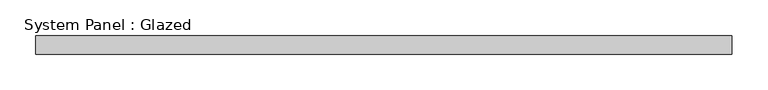
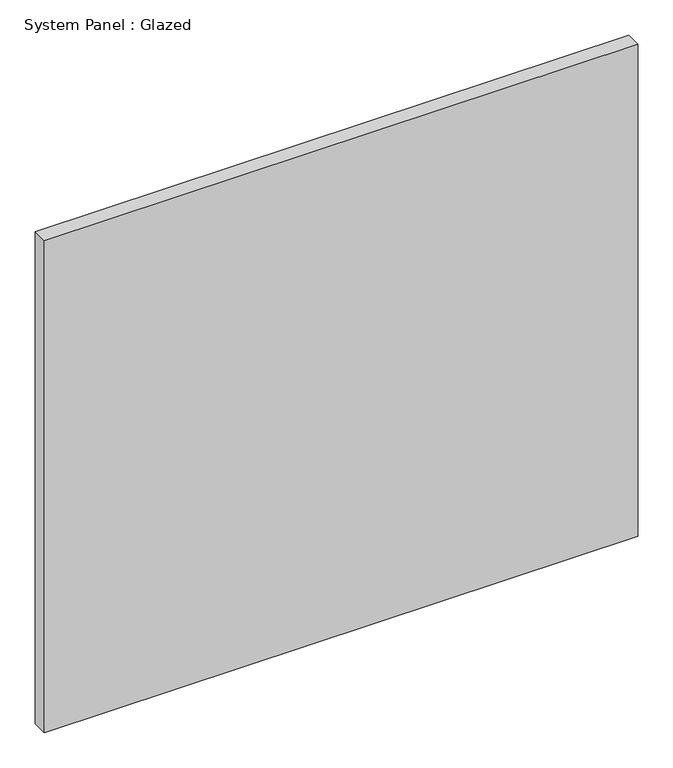
"""IFC4 building model written with IfcOpenShell, lengths in millimetres: plate geometry, System Panel : Glazed."""

import ifcopenshell
import ifcopenshell.guid

model = None  # the IFC model being written
_history = None  # IfcOwnerHistory: only IFC2X3 demands one
_inside = {}  # id of a spatial element -> (the spatial element, [elements in it])
_under = {}  # id of a project, library or spatial element -> (it, [spatial elements below it])
_declared = {}  # id of a project -> (the project, [libraries it declares])
_typed = {}  # id of a type object -> (the type object, [elements of that type])
_made_of = {}  # id of a material, layer set ... -> (it, [elements and type objects made of it])


def new_model(schema):
    """Start an empty IFC model of exactly this schema.

    Asked for "IFC4X3", IfcOpenShell would pick the latest addendum, in which some entities
    have other attributes; the version numbers below select the first issue.
    IFC2X3 requires an IfcOwnerHistory on every rooted entity: one is made here for all.
    """
    global model, _history
    if schema == "IFC4X3":
        model = ifcopenshell.file(schema_version=(4, 3, 0, 0))
    else:
        model = ifcopenshell.file(schema=schema)
    _inside.clear()
    _under.clear()
    _declared.clear()
    _typed.clear()
    _made_of.clear()
    _history = None
    if model.schema == "IFC2X3":
        org = make("IfcOrganization", Name="unknown")
        user = make(
            "IfcPersonAndOrganization",
            ThePerson=make("IfcPerson", FamilyName="unknown"),
            TheOrganization=org,
        )
        app = make(
            "IfcApplication",
            ApplicationDeveloper=org,
            Version="unknown",
            ApplicationFullName="unknown",
            ApplicationIdentifier="unknown",
        )
        _history = make(
            "IfcOwnerHistory",
            OwningUser=user,
            OwningApplication=app,
            ChangeAction="ADDED",
            CreationDate=0,
        )
    return model


def make(cls, **values):
    """One entity of the class cls with the attributes given. An attribute that is None is left unset."""
    return model.create_entity(
        cls, **{name: value for name, value in values.items() if value is not None}
    )


def rooted(cls, **values):
    """An entity with a GlobalId (a new one), such as an element, a storey or a relation."""
    return make(cls, GlobalId=ifcopenshell.guid.new(), OwnerHistory=_history, **values)


def si_unit(unit_type, name, prefix=None):
    """IfcSIUnit, for example si_unit("LENGTHUNIT", "METRE", prefix="MILLI")."""
    return make("IfcSIUnit", UnitType=unit_type, Prefix=prefix, Name=name)


def assignment(units):
    """IfcUnitAssignment: the units of a project."""
    return None if units is None else make("IfcUnitAssignment", Units=units)


def point(xyz):
    """IfcCartesianPoint."""
    return None if xyz is None else make("IfcCartesianPoint", Coordinates=xyz)


def direction(xyz):
    """IfcDirection."""
    return None if xyz is None else make("IfcDirection", DirectionRatios=xyz)


def frame(location, z_axis=None, x_axis=None):
    """IfcAxis2Placement3D, a coordinate frame: its origin and axes. An axis left out is left unset."""
    return make(
        "IfcAxis2Placement3D",
        Location=point(location),
        Axis=direction(z_axis),
        RefDirection=direction(x_axis),
    )


def origin():
    """The frame at (0, 0, 0) with its axes left unset."""
    return frame((0.0, 0.0, 0.0))


def origin_with_axes():
    """The frame at (0, 0, 0) with the z axis (0, 0, 1) and the x axis (1, 0, 0) written out."""
    return frame((0.0, 0.0, 0.0), z_axis=(0.0, 0.0, 1.0), x_axis=(1.0, 0.0, 0.0))


def place(relative_to, where):
    """IfcLocalPlacement: puts the frame where relative to a parent placement (None: the world)."""
    return make(
        "IfcLocalPlacement", PlacementRelTo=relative_to, RelativePlacement=where
    )


def context(
    kind, dimensions, precision=None, world=None, true_north=None, identifier=None
):
    """IfcGeometricRepresentationContext, for example the 3D "Model" context."""
    return make(
        "IfcGeometricRepresentationContext",
        ContextIdentifier=identifier,
        ContextType=kind,
        CoordinateSpaceDimension=dimensions,
        Precision=precision,
        WorldCoordinateSystem=world,
        TrueNorth=true_north,
    )


def project(units=None, contexts=None):
    """IfcProject with its units and contexts."""
    return rooted(
        "IfcProject",
        Name="project",
        RepresentationContexts=contexts,
        UnitsInContext=assignment(units),
    )


def spatial(cls, under=None, at=None, **own):
    """A site, building, storey or space (cls), placed at a placement, below another one or the project."""
    s = rooted(cls, ObjectPlacement=at, **own)
    if under is not None:
        _under.setdefault(under.id(), (under, []))[1].append(s)
    return s


def polyline(points):
    """IfcPolyline through the points."""
    return make("IfcPolyline", Points=[point(p) for p in points])


def outline(outer, holes=None, kind="AREA"):
    """IfcArbitraryClosedProfileDef: a profile drawn as a closed curve; with holes, ...WithVoids."""
    if holes is None:
        return make("IfcArbitraryClosedProfileDef", ProfileType=kind, OuterCurve=outer)
    return make(
        "IfcArbitraryProfileDefWithVoids",
        ProfileType=kind,
        OuterCurve=outer,
        InnerCurves=holes,
    )


def extrude(swept, where, along, depth):
    """IfcExtrudedAreaSolid: the profile swept, set in the frame where, extruded along a direction by depth."""
    return make(
        "IfcExtrudedAreaSolid",
        SweptArea=swept,
        Position=where,
        ExtrudedDirection=direction(along),
        Depth=depth,
    )


def shape(context_of_items, identifier, shape_type, items):
    """IfcShapeRepresentation: the items that make up one representation, for example the "Body"."""
    return make(
        "IfcShapeRepresentation",
        ContextOfItems=context_of_items,
        RepresentationIdentifier=identifier,
        RepresentationType=shape_type,
        Items=items,
    )


def source(mapping_origin, context_of_items, identifier, shape_type, items):
    """IfcRepresentationMap: a shape defined once, which mapped items show again and again."""
    return make(
        "IfcRepresentationMap",
        MappingOrigin=mapping_origin,
        MappedRepresentation=shape(context_of_items, identifier, shape_type, items),
    )


def transform(
    local_origin,
    x_axis=None,
    y_axis=None,
    z_axis=None,
    scale=None,
    scale2=None,
    scale3=None,
    uniform=True,
):
    """IfcCartesianTransformationOperator3D, or its non-uniform kind. x_axis, y_axis, z_axis: its Axis1, 2, 3."""
    if uniform:
        return make(
            "IfcCartesianTransformationOperator3D",
            Axis1=direction(x_axis),
            Axis2=direction(y_axis),
            LocalOrigin=point(local_origin),
            Scale=scale,
            Axis3=direction(z_axis),
        )
    return make(
        "IfcCartesianTransformationOperator3DnonUniform",
        Axis1=direction(x_axis),
        Axis2=direction(y_axis),
        LocalOrigin=point(local_origin),
        Scale=scale,
        Axis3=direction(z_axis),
        Scale2=scale2,
        Scale3=scale3,
    )


def mapped(mapping_source, mapping_target):
    """IfcMappedItem: shows the shape of a source again, moved by a transform."""
    return make(
        "IfcMappedItem", MappingSource=mapping_source, MappingTarget=mapping_target
    )


def made_of(thing, what):
    """Note that an element or type object is made of a material, layer set ...; save() writes the relation."""
    if what is not None:
        _made_of.setdefault(what.id(), (what, []))[1].append(thing)
    return thing


def element(
    cls,
    number,
    at=None,
    inside=None,
    cuts=None,
    type_object=None,
    material=None,
    context=None,
    identifier="Body",
    shape_type=None,
    held_by="IfcProductDefinitionShape",
    body=None,
    shapes=None,
    **own,
):
    """One element of the class cls, such as IfcWall. Its Tag is "e" and its number.

    at: its placement. inside: the storey or other place that contains it. cuts: it is an
    opening in that element (IfcRelVoidsElement). A single representation is given by context,
    identifier, shape_type and body (its items); several are given by shapes. held_by: the class
    of the entity that holds the representations. save() writes the other relations.
    """
    e = rooted(cls, Tag="e%d" % number, ObjectPlacement=at, **own)
    if body is not None:
        shapes = [shape(context, identifier, shape_type, body)]
    if shapes is not None:
        e.Representation = make(held_by, Representations=shapes)
    if inside is not None:
        _inside.setdefault(inside.id(), (inside, []))[1].append(e)
    if cuts is not None:
        rooted(
            "IfcRelVoidsElement", RelatingBuildingElement=cuts, RelatedOpeningElement=e
        )
    if type_object is not None:
        _typed.setdefault(type_object.id(), (type_object, []))[1].append(e)
    return made_of(e, material)


def aggregate(whole, parts):
    """IfcRelAggregates: a whole, such as a stair, and the parts it consists of."""
    return rooted("IfcRelAggregates", RelatingObject=whole, RelatedObjects=parts)


def save(model, path):
    """Write the relations noted so far, then the file.

    IfcRelAggregates (storeys below a building ...), IfcRelContainedInSpatialStructure (elements
    in a storey), IfcRelDefinesByType, IfcRelAssociatesMaterial and IfcRelDeclares: one each for
    every whole, place, type object, material and project.
    """
    for whole, parts in _under.values():
        aggregate(whole, parts)
    for where, things in _inside.values():
        rooted(
            "IfcRelContainedInSpatialStructure",
            RelatedElements=things,
            RelatingStructure=where,
        )
    for kind, things in _typed.values():
        rooted("IfcRelDefinesByType", RelatedObjects=things, RelatingType=kind)
    for what, things in _made_of.values():
        rooted("IfcRelAssociatesMaterial", RelatedObjects=things, RelatingMaterial=what)
    for by, libraries in _declared.values():
        rooted("IfcRelDeclares", RelatingContext=by, RelatedDefinitions=libraries)
    model.write(path)


def system_panel_glazed_8ea7feba(model_context):
    return source(origin(), model_context, "Body", "SweptSolid", [
        extrude(outline(polyline([(485.775, -44.45), (-485.775, -44.45), (-485.775, -19.05), (485.775, -19.05), (485.775, -44.45)])), origin_with_axes(), (0.0, 0.0, 1.0), 850.9),
    ])


if __name__ == "__main__":
    model = new_model("IFC4")
    model_context = context("Model", 3, world=origin())
    ifc_project = project(units=[si_unit("LENGTHUNIT", "METRE", prefix="MILLI")], contexts=[model_context])
    site = spatial("IfcSite", under=ifc_project)
    building = spatial("IfcBuilding", under=site)
    placement = place(None, origin())
    system_panel_glazed_shape = system_panel_glazed_8ea7feba(model_context)
    element("IfcPlate", 1, ObjectType="System Panel : Glazed", at=placement, inside=building, context=model_context, shape_type="MappedRepresentation", body=[
        mapped(system_panel_glazed_shape, transform((0.0, 0.0, 0.0), x_axis=(1.0, 0.0, 0.0), y_axis=(0.0, 1.0, 0.0), z_axis=(0.0, 0.0, 1.0))),
    ])
    save(model, "model.ifc")
